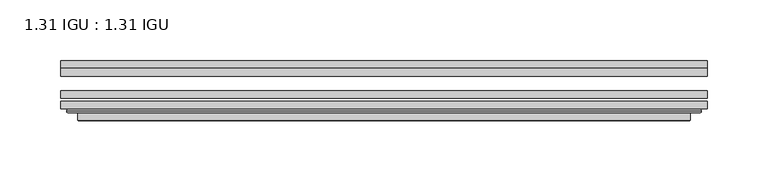
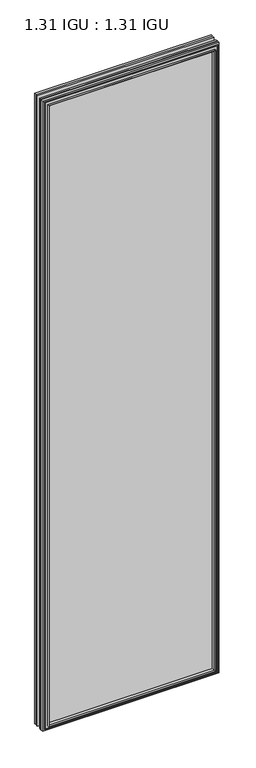
"""IFC4 building model written with IfcOpenShell, lengths in millimetres: plate geometry, 1.31 IGU : 1.31 IGU."""

from ifc_helpers import new_model, si_unit, frame, origin, place, context, project, spatial, polyline, ellipse_curve, outline, extrude, faceted_brep, source, transform, mapped, element, save
from ifc_brep_helpers import plane_surface, cylinder_surface, advanced_brep


def plate_1_31_igu_1_31_igu_7ba3bbac(model_context):
    return source(origin(), model_context, "Body", "SolidModel", [
        extrude(outline(polyline([(266.714175, -66.4725937), (266.714175, -72.8225938), (-266.7, -72.8225938), (-266.7, -66.4725937), (266.714175, -66.4725937)])), frame((0.0, 0.0, -14.2875), z_axis=(0.0, 0.0, 1.0), x_axis=(1.0, 0.0, 0.0)), (0.0, 0.0, 1.0), 2009.7964726),
        extrude(outline(polyline([(-266.7, -81.4585938), (-266.7, -75.1080887), (266.714175, -75.1080887), (266.714175, -81.4585938), (-266.7, -81.4585938)])), frame((0.0, 0.0, -14.2875), z_axis=(0.0, 0.0, 1.0), x_axis=(1.0, 0.0, 0.0)), (0.0, 0.0, 1.0), 2009.7964726),
        extrude(outline(polyline([(266.714175, -48.1337937), (266.714175, -54.4837938), (-266.7, -54.4837938), (-266.7, -48.1337937), (266.714175, -48.1337937)])), frame((0.0, 0.0, -14.2875), z_axis=(0.0, 0.0, 1.0), x_axis=(1.0, 0.0, 0.0)), (0.0, 0.0, 1.0), 2009.7964726),
        faceted_brep([(-252.4071902, -41.7837938, 1981.2123649), (-251.5147559, -48.1337937, 1980.3199306), (-251.5147559, -48.1337937, 0.8977441), (-252.4071902, -41.7837938, 0.0053098), (-266.7127, -48.1337937, 1995.5178747), (-266.7127, -41.7837938, 1995.5178747), (-266.7127, -41.7837938, -14.3002), (-266.7127, -48.1337937, -14.3002), (251.5147559, -48.1337937, 0.8977441), (252.4071902, -41.7837938, 0.0053098), (266.7127, -41.7837938, -14.3002), (266.7127, -48.1337937, -14.3002), (251.5147559, -48.1337937, 1980.3199306), (252.4071902, -41.7837938, 1981.2123649), (266.7127, -41.7837938, 1995.5178747), (266.7127, -48.1337937, 1995.5178747)], [[[0, 1, 2, 3]], [[4, 5, 6, 7]], [[3, 2, 8, 9]], [[7, 6, 10, 11]], [[9, 8, 12, 13]], [[11, 10, 14, 15]], [[7, 11, 15, 4], [1, 12, 8, 2]], [[13, 12, 1, 0]], [[5, 14, 10, 6], [3, 9, 13, 0]], [[15, 14, 5, 4]]]),
        advanced_brep(
        [(-260.8111349, -84.6335938, 1989.6163096), (-261.8129244, -83.4482604, 1990.6180991), (-261.8129244, -83.4482604, -9.4004244), (-260.8111349, -84.6335938, -8.3986349), (-252.4070784, -91.0948368, 1981.2122532), (-252.4070784, -84.6335938, 1981.2122532), (-252.4070784, -84.6335938, 0.0054216), (-252.4070784, -91.0948368, 0.0054216), (-251.4164217, -90.6958619, 1980.2215964), (-251.4164217, -90.6958619, 0.9960783), (-250.3843939, -85.2986307, 1979.1895686), (-250.3843939, -85.2986307, 2.0281061), (-245.4495621, -81.4585938, 1974.2547368), (-245.4495621, -81.4585938, 6.9629379), (-259.458719, -81.4585938, 1988.2638938), (-259.458719, -81.4585938, -7.046219), (261.8129244, -83.4482604, -9.4004244), (260.8111349, -84.6335938, -8.3986349), (252.4070784, -84.6335938, 0.0054216), (252.4070784, -91.0948368, 0.0054216), (251.4164217, -90.6958619, 0.9960783), (250.3843939, -85.2986307, 2.0281061), (245.4495621, -81.4585938, 6.9629379), (259.458719, -81.4585938, -7.046219), (261.8129244, -83.4482604, 1990.6180991), (260.8111349, -84.6335938, 1989.6163096), (252.4070784, -84.6335938, 1981.2122532), (252.4070784, -91.0948368, 1981.2122532), (251.4164217, -90.6958619, 1980.2215964), (250.3843939, -85.2986307, 1979.1895686), (245.4495621, -81.4585938, 1974.2547368), (259.458719, -81.4585938, 1988.2638938)],
        [
            (0, 1, ellipse_curve(frame((-260.8111349, -83.6175938, 1989.6163096), z_axis=(-0.7071067811865475, 0.0, -0.7071067811865475), x_axis=(-0.7071067811865474, 0.0, 0.7071067811865476)), 1.436841, 1.016)),
            (1, 2),
            (2, 3, ellipse_curve(frame((-260.8111349, -83.6175938, -8.3986349), z_axis=(-0.7071067811865475, 0.0, 0.7071067811865475), x_axis=(0.7071067811865474, 0.0, 0.7071067811865476)), 1.436841, 1.016)),
            (3, 0),
            (4, 5),
            (5, 6),
            (6, 7),
            (7, 4),
            (8, 4, ellipse_curve(frame((-252.0401219, -90.5766015, 1980.8452966), z_axis=(-0.7071067811865475, 0.0, -0.7071067811865475), x_axis=(-0.7071067811865474, 0.0, 0.7071067811865476)), 0.8980256, 0.635)),
            (7, 9, ellipse_curve(frame((-252.0401219, -90.5766015, 0.3723781), z_axis=(-0.7071067811865475, 0.0, 0.7071067811865475), x_axis=(0.7071067811865474, 0.0, 0.7071067811865476)), 0.8980256, 0.635)),
            (9, 8),
            (10, 8),
            (9, 11),
            (11, 10),
            (12, 10),
            (11, 13),
            (13, 12),
            (1, 14, ellipse_curve(frame((-259.458719, -83.8461938, 1988.2638938), z_axis=(-0.7071067811865475, 0.0, -0.7071067811865475), x_axis=(-0.7071067811865474, 0.0, 0.7071067811865476)), 3.3765763, 2.3876)),
            (14, 15),
            (15, 2, ellipse_curve(frame((-259.458719, -83.8461938, -7.046219), z_axis=(-0.7071067811865475, 0.0, 0.7071067811865475), x_axis=(0.7071067811865474, 0.0, 0.7071067811865476)), 3.3765763, 2.3876)),
            (2, 16),
            (16, 17, ellipse_curve(frame((260.8111349, -83.6175938, -8.3986349), z_axis=(-0.7071067811865475, 0.0, -0.7071067811865475), x_axis=(-0.7071067811865476, 0.0, 0.7071067811865474)), 1.436841, 1.016)),
            (17, 3),
            (6, 18),
            (18, 19),
            (19, 7),
            (19, 20, ellipse_curve(frame((252.0401219, -90.5766015, 0.3723781), z_axis=(-0.7071067811865475, 0.0, -0.7071067811865475), x_axis=(-0.7071067811865476, 0.0, 0.7071067811865474)), 0.8980256, 0.635)),
            (20, 9),
            (20, 21),
            (21, 11),
            (21, 22),
            (22, 13),
            (15, 23),
            (23, 16, ellipse_curve(frame((259.458719, -83.8461938, -7.046219), z_axis=(-0.7071067811865475, 0.0, -0.7071067811865475), x_axis=(-0.7071067811865476, 0.0, 0.7071067811865474)), 3.3765763, 2.3876)),
            (16, 24),
            (24, 25, ellipse_curve(frame((260.8111349, -83.6175938, 1989.6163096), z_axis=(0.7071067811865475, 0.0, -0.7071067811865475), x_axis=(-0.7071067811865474, 0.0, -0.7071067811865476)), 1.436841, 1.016)),
            (25, 17),
            (18, 26),
            (26, 27),
            (27, 19),
            (27, 28, ellipse_curve(frame((252.0401219, -90.5766015, 1980.8452966), z_axis=(0.7071067811865475, 0.0, -0.7071067811865475), x_axis=(-0.7071067811865474, 0.0, -0.7071067811865476)), 0.8980256, 0.635)),
            (28, 20),
            (28, 29),
            (29, 21),
            (29, 30),
            (30, 22),
            (23, 31),
            (31, 24, ellipse_curve(frame((259.458719, -83.8461938, 1988.2638938), z_axis=(0.7071067811865475, 0.0, -0.7071067811865475), x_axis=(-0.7071067811865474, 0.0, -0.7071067811865476)), 3.3765763, 2.3876)),
            (24, 1),
            (0, 25),
            (5, 26),
            (4, 27),
            (8, 28),
            (10, 29),
            (12, 30),
            (14, 31),
        ],
        [
            cylinder_surface(frame((-260.8111349, -83.6175938, 2012.9676747), z_axis=(0.0, 0.0, 1.0), x_axis=(-1.0, 0.0, 0.0)), 1.016),
            plane_surface(frame((-252.4070784, -84.6335938, 1981.2122532), z_axis=(-1.0, 0.0, 0.0), x_axis=(0.0, 0.0, -1.0))),
            cylinder_surface(frame((-252.0401219, -90.5766015, 2012.9676747), z_axis=(0.0, 0.0, 1.0), x_axis=(-1.0, 0.0, 0.0)), 0.635),
            plane_surface(frame((-251.4164217, -90.6958619, 1980.2215964), z_axis=(0.9822050625507717, -0.1878116479338675, 0.0), x_axis=(0.0, 0.0, -1.0))),
            plane_surface(frame((-250.3843939, -85.2986307, 1979.1895686), z_axis=(0.6141233906514726, -0.7892100234124875, 0.0), x_axis=(0.0, 0.0, -1.0))),
            cylinder_surface(frame((-259.458719, -83.8461938, 2012.9676747), z_axis=(0.0, 0.0, 1.0), x_axis=(-1.0, 0.0, 0.0)), 2.3876),
            cylinder_surface(frame((-284.1625, -83.6175938, -8.3986349), z_axis=(-1.0, 0.0, 0.0), x_axis=(0.0, 0.0, -1.0)), 1.016),
            plane_surface(frame((-252.4070784, -84.6335938, 0.0054216), z_axis=(0.0, 0.0, -1.0), x_axis=(1.0, 0.0, 0.0))),
            cylinder_surface(frame((-284.1625, -90.5766015, 0.3723781), z_axis=(-1.0, 0.0, 0.0), x_axis=(0.0, 0.0, -1.0)), 0.635),
            plane_surface(frame((-251.4164217, -90.6958619, 0.9960783), z_axis=(0.0, -0.18781164793386435, 0.9822050625507722), x_axis=(1.0, 0.0, 0.0))),
            plane_surface(frame((-250.3843939, -85.2986307, 2.0281061), z_axis=(0.0, -0.7892100234124855, 0.6141233906514751), x_axis=(1.0, 0.0, 0.0))),
            cylinder_surface(frame((-284.1625, -83.8461938, -7.046219), z_axis=(-1.0, 0.0, 0.0), x_axis=(0.0, 0.0, -1.0)), 2.3876),
            cylinder_surface(frame((260.8111349, -83.6175938, -31.75), z_axis=(0.0, 0.0, -1.0), x_axis=(1.0, 0.0, 0.0)), 1.016),
            plane_surface(frame((252.4070784, -84.6335938, 0.0054216), z_axis=(1.0, 0.0, 0.0), x_axis=(0.0, 0.0, 1.0))),
            cylinder_surface(frame((252.0401219, -90.5766015, -31.75), z_axis=(0.0, 0.0, -1.0), x_axis=(1.0, 0.0, 0.0)), 0.635),
            plane_surface(frame((251.4164217, -90.6958619, 0.9960783), z_axis=(-0.9822050625507728, -0.18781164793386118, 0.0), x_axis=(0.0, 0.0, 1.0))),
            plane_surface(frame((250.3843939, -85.2986307, 2.0281061), z_axis=(-0.6141233906514777, -0.7892100234124835, 0.0), x_axis=(0.0, 0.0, 1.0))),
            cylinder_surface(frame((259.458719, -83.8461938, -31.75), z_axis=(0.0, 0.0, -1.0), x_axis=(1.0, 0.0, 0.0)), 2.3876),
            cylinder_surface(frame((284.1625, -83.6175938, 1989.6163096), z_axis=(1.0, 0.0, 0.0), x_axis=(0.0, 0.0, 1.0)), 1.016),
            plane_surface(frame((260.8111349, -84.6335938, 1989.6163096), z_axis=(0.0, -1.0, 0.0), x_axis=(-1.0, 0.0, 0.0))),
            plane_surface(frame((252.4070784, -84.6335938, 1981.2122532), z_axis=(0.0, 0.0, 1.0), x_axis=(-1.0, 0.0, 0.0))),
            cylinder_surface(frame((284.1625, -90.5766015, 1980.8452966), z_axis=(1.0, 0.0, 0.0), x_axis=(0.0, 0.0, 1.0)), 0.635),
            plane_surface(frame((251.4164217, -90.6958619, 1980.2215964), z_axis=(0.0, -0.18781164793386435, -0.9822050625507722), x_axis=(-1.0, 0.0, 0.0))),
            plane_surface(frame((250.3843939, -85.2986307, 1979.1895686), z_axis=(0.0, -0.7892100234124855, -0.6141233906514751), x_axis=(-1.0, 0.0, 0.0))),
            plane_surface(frame((245.4495621, -81.4585938, 1974.2547368), z_axis=(0.0, 1.0, 0.0), x_axis=(-1.0, 0.0, 0.0))),
            cylinder_surface(frame((284.1625, -83.8461938, 1988.2638938), z_axis=(1.0, 0.0, 0.0), x_axis=(0.0, 0.0, 1.0)), 2.3876),
        ],
        [
            (0, [[1, 2, 3, 4]]),
            (1, [[5, 6, 7, 8]]),
            (2, [[9, -8, 10, 11]]),
            (3, [[12, -11, 13, 14]]),
            (4, [[15, -14, 16, 17]]),
            (5, [[18, 19, 20, -2]]),
            (6, [[-3, 21, 22, 23]]),
            (7, [[-7, 24, 25, 26]]),
            (8, [[-10, -26, 27, 28]]),
            (9, [[-13, -28, 29, 30]]),
            (10, [[-16, -30, 31, 32]]),
            (11, [[-20, 33, 34, -21]]),
            (12, [[-22, 35, 36, 37]]),
            (13, [[-25, 38, 39, 40]]),
            (14, [[-27, -40, 41, 42]]),
            (15, [[-29, -42, 43, 44]]),
            (16, [[-31, -44, 45, 46]]),
            (17, [[-34, 47, 48, -35]]),
            (18, [[-36, 49, -1, 50]]),
            (19, [[-23, -37, -50, -4], [51, -38, -24, -6]]),
            (20, [[-39, -51, -5, 52]]),
            (21, [[-41, -52, -9, 53]]),
            (22, [[-43, -53, -12, 54]]),
            (23, [[-45, -54, -15, 55]]),
            (24, [[56, -47, -33, -19], [-32, -46, -55, -17]]),
            (25, [[-48, -56, -18, -49]]),
        ],
    ),
    ])


if __name__ == "__main__":
    model = new_model("IFC4")
    model_context = context("Model", 3, world=origin())
    ifc_project = project(units=[si_unit("LENGTHUNIT", "METRE", prefix="MILLI")], contexts=[model_context])
    site = spatial("IfcSite", under=ifc_project)
    building = spatial("IfcBuilding", under=site)
    placement = place(None, origin())
    plate_1_31_igu_1_31_igu_shape = plate_1_31_igu_1_31_igu_7ba3bbac(model_context)
    element("IfcPlate", 1, ObjectType="1.31 IGU : 1.31 IGU", at=placement, inside=building, context=model_context, shape_type="MappedRepresentation", body=[
        mapped(plate_1_31_igu_1_31_igu_shape, transform((0.0, 0.0, 0.0), x_axis=(1.0, 0.0, 0.0), y_axis=(0.0, 1.0, 0.0), z_axis=(0.0, 0.0, 1.0))),
    ])
    save(model, "model.ifc")
